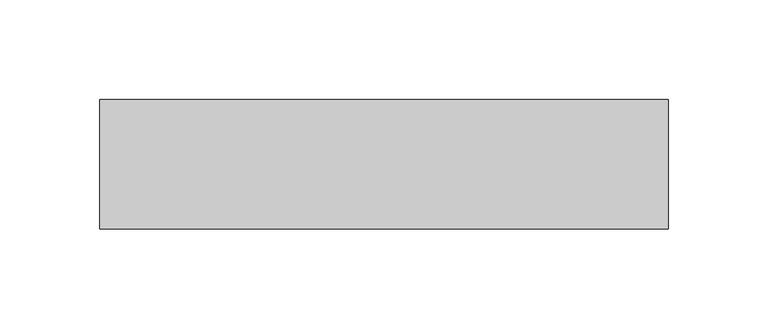
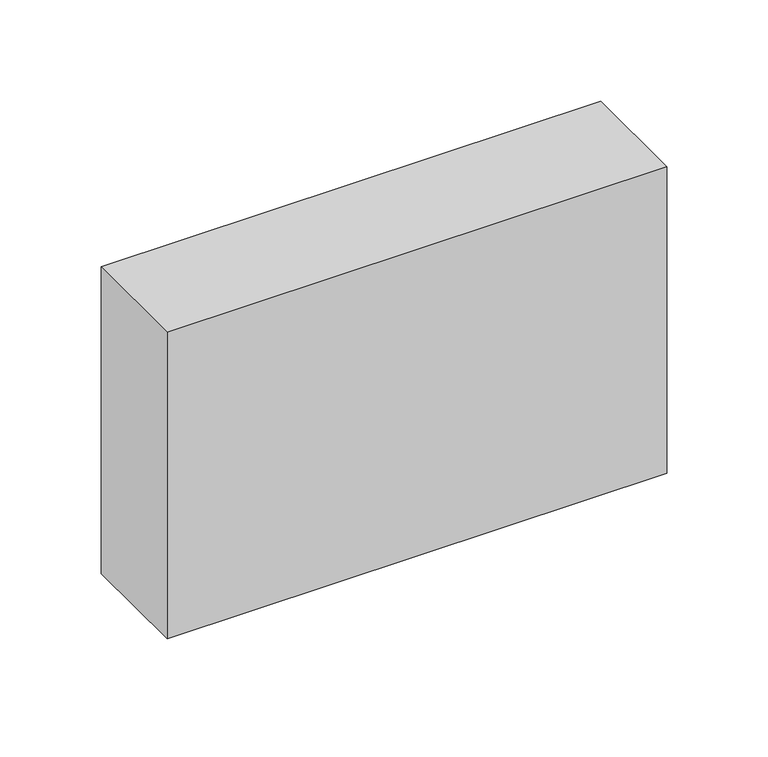
"""IFC4 building model written with IfcOpenShell, lengths in millimetres: proxy geometry."""

from ifc_helpers import new_model, si_unit, point, frame, origin, place, context, project, spatial, polyline, circle_curve, ellipse_curve, trimmed, outline, extrude, source, transform, mapped, element, save
from ifc_brep_helpers import plane_surface, revolved_surface, advanced_brep


def specialty_equipment_30aceb28(model_context):
    return source(origin(), model_context, "Body", "SolidModel", [
        advanced_brep(
        [(-55.5, -51.5, 2715.0), (-55.5, -13.5, 2715.0), (-55.5, -32.5, 2715.0), (-55.5, -32.5, 2705.0)],
        [
            (0, 1, circle_curve(frame((-55.5, -32.5, 2715.0), z_axis=(0.0, 0.0, 1.0), x_axis=(0.0, 1.0, 0.0)), 19.0)),
            (1, 2),
            (2, 0),
            (1, 0, circle_curve(frame((-55.5, -32.5, 2715.0), z_axis=(0.0, 0.0, 1.0), x_axis=(0.0, 1.0, 0.0)), 19.0)),
            (3, 1, circle_curve(frame((-55.5, -30.3012346, 2723.8723457), z_axis=(1.0, 0.0, 0.0), x_axis=(0.0, 0.0, 1.0)), 19.0)),
            (0, 3, circle_curve(frame((-55.5, -34.6987654, 2723.8723457), z_axis=(1.0, 0.0, 0.0), x_axis=(0.0, 0.0, 1.0)), 19.0)),
        ],
        [
            plane_surface(frame((-55.5, -32.5, 2715.0), z_axis=(0.0, 0.0, 1.0), x_axis=(0.0, 1.0, 0.0))),
            revolved_surface(trimmed(ellipse_curve(frame((-55.5, -30.3012346, 2723.8723457), z_axis=(-1.0, 0.0, 0.0), x_axis=(0.0, 0.0, 1.0)), 19.0, 19.0), [point((-55.5, -13.5, 2715.0))], [point((-55.5, -32.5, 2705.0))], True, "CARTESIAN"), (-55.5, -32.5, 2715.0), (0.0, 0.0, -1.0)),
        ],
        [
            (0, [[1, 2, 3]]),
            (0, [[4, -3, -2]]),
            (1, [[5, -1, 6]]),
            (1, [[-6, -4, -5]]),
        ],
    ),
        advanced_brep(
        [(44.5, -51.5, 2715.0), (44.5, -13.5, 2715.0), (44.5, -32.5, 2715.0), (44.5, -32.5, 2705.0)],
        [
            (0, 1, circle_curve(frame((44.5, -32.5, 2715.0), z_axis=(0.0, 0.0, 1.0), x_axis=(0.0, 1.0, 0.0)), 19.0)),
            (1, 2),
            (2, 0),
            (1, 0, circle_curve(frame((44.5, -32.5, 2715.0), z_axis=(0.0, 0.0, 1.0), x_axis=(0.0, 1.0, 0.0)), 19.0)),
            (3, 1, circle_curve(frame((44.5, -30.3012346, 2723.8723457), z_axis=(1.0, 0.0, 0.0), x_axis=(0.0, 0.0, 1.0)), 19.0)),
            (0, 3, circle_curve(frame((44.5, -34.6987654, 2723.8723457), z_axis=(1.0, 0.0, 0.0), x_axis=(0.0, 0.0, 1.0)), 19.0)),
        ],
        [
            plane_surface(frame((44.5, -32.5, 2715.0), z_axis=(0.0, 0.0, 1.0), x_axis=(0.0, 1.0, 0.0))),
            revolved_surface(trimmed(ellipse_curve(frame((44.5, -30.3012346, 2723.8723457), z_axis=(-1.0, 0.0, 0.0), x_axis=(0.0, 0.0, 1.0)), 19.0, 19.0), [point((44.5, -13.5, 2715.0))], [point((44.5, -32.5, 2705.0))], True, "CARTESIAN"), (44.5, -32.5, 2715.0), (0.0, 0.0, -1.0)),
        ],
        [
            (0, [[1, 2, 3]]),
            (0, [[4, -3, -2]]),
            (1, [[5, -1, 6]]),
            (1, [[-6, -4, -5]]),
        ],
    ),
        extrude(outline(polyline([(-147.5, -65.0), (-147.5, 0.0), (137.5, 0.0), (137.5, -65.0), (-147.5, -65.0)])), frame((0.0, 0.0, 2715.0), z_axis=(0.0, 0.0, 1.0), x_axis=(1.0, 0.0, 0.0)), (0.0, 0.0, 1.0), 185.0),
    ])


if __name__ == "__main__":
    model = new_model("IFC4")
    model_context = context("Model", 3, world=origin())
    ifc_project = project(units=[si_unit("LENGTHUNIT", "METRE", prefix="MILLI")], contexts=[model_context])
    site = spatial("IfcSite", under=ifc_project)
    building = spatial("IfcBuilding", under=site)
    placement = place(None, origin())
    specialty_equipment_shape = specialty_equipment_30aceb28(model_context)
    element("IfcBuildingElementProxy", 1, Name="Specialty Equipment", at=placement, inside=building, context=model_context, shape_type="MappedRepresentation", body=[
        mapped(specialty_equipment_shape, transform((0.0, 0.0, 0.0), x_axis=(1.0, 0.0, 0.0), y_axis=(0.0, 1.0, 0.0), z_axis=(0.0, 0.0, 1.0))),
    ])
    save(model, "model.ifc")
